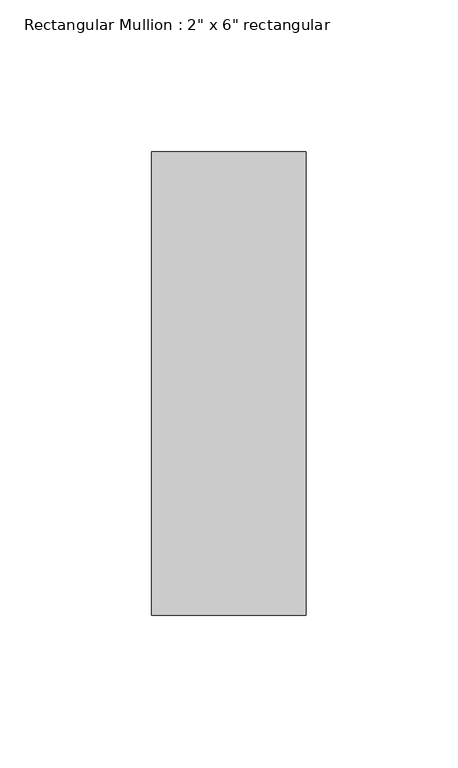
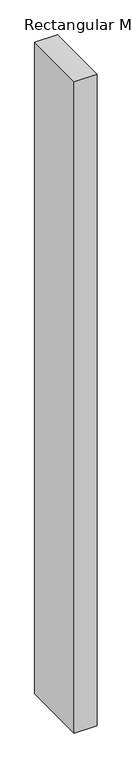
"""IFC4 building model written with IfcOpenShell, lengths in millimetres: member geometry."""

from ifc_helpers import new_model, si_unit, frame, origin, place, context, project, spatial, polyline, outline, extrude, source, transform, mapped, element, save


def member_470f8e32(model_context):
    return source(origin(), model_context, "Body", "SweptSolid", [
        extrude(outline(polyline([(0.0, 76.2), (0.0, -76.2), (-50.8, -76.2), (-50.8, 76.2), (0.0, 76.2)])), frame((0.0, 0.0, -1534.16), z_axis=(0.0, 0.0, 1.0), x_axis=(1.0, 0.0, 0.0)), (0.0, 0.0, 1.0), 1534.16),
    ])


if __name__ == "__main__":
    model = new_model("IFC4")
    model_context = context("Model", 3, world=origin())
    ifc_project = project(units=[si_unit("LENGTHUNIT", "METRE", prefix="MILLI")], contexts=[model_context])
    site = spatial("IfcSite", under=ifc_project)
    building = spatial("IfcBuilding", under=site)
    placement = place(None, origin())
    member_shape = member_470f8e32(model_context)
    element("IfcMember", 1, ObjectType="Rectangular Mullion : 2\" x 6\" rectangular", at=placement, inside=building, context=model_context, shape_type="MappedRepresentation", body=[
        mapped(member_shape, transform((0.0, 0.0, 0.0), x_axis=(1.0, 0.0, 0.0), y_axis=(0.0, 1.0, 0.0), z_axis=(0.0, 0.0, 1.0))),
    ])
    save(model, "model.ifc")
